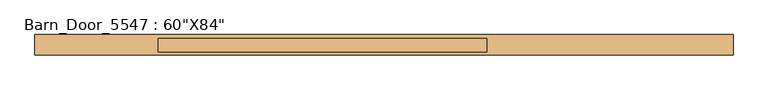
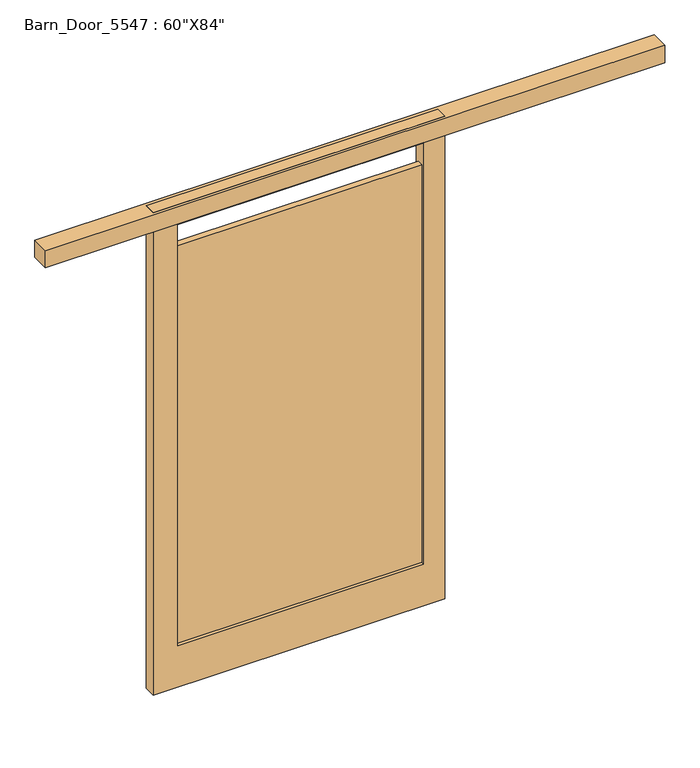
"""IFC4 building model written with IfcOpenShell, lengths in millimetres: door geometry."""

from ifc_helpers import new_model, si_unit, frame, origin, place, context, project, spatial, polyline, outline, extrude, source, transform, mapped, element, save


def door_23a31c73(model_context):
    return source(origin(), model_context, "Body", "SweptSolid", [
        extrude(outline(polyline([(-190.5, 236.5375), (-190.5, 211.1375), (-1218.8074044, 211.1375), (-1218.8074044, 236.5375), (-190.5, 236.5375)])), frame((0.0, 0.0, 184.15), z_axis=(0.0, 0.0, 1.0), x_axis=(1.0, 0.0, 0.0)), (0.0, 0.0, 1.0), 1758.95),
        extrude(outline(polyline([(2133.6, -101.6), (2133.6, -1320.8), (0.0, -1320.8), (0.0, -101.6), (2133.6, -101.6)]), holes=[polyline([(184.15, -1218.8074044), (2044.7, -1218.8074044), (2044.7, -190.5), (184.15, -190.5), (184.15, -1218.8074044)])]), frame((0.0, 198.4375, 0.0), z_axis=(0.0, 1.0, 0.0), x_axis=(0.0, 0.0, 1.0)), (0.0, 0.0, 1.0), 50.8),
        extrude(outline(polyline([(-1778.0, 187.325), (-1778.0, 263.525), (812.8, 263.525), (812.8, 187.325), (-1778.0, 187.325)])), frame((0.0, 0.0, 2057.4), z_axis=(0.0, 0.0, 1.0), x_axis=(1.0, 0.0, 0.0)), (0.0, 0.0, 1.0), 76.2),
    ])


if __name__ == "__main__":
    model = new_model("IFC4")
    model_context = context("Model", 3, world=origin())
    ifc_project = project(units=[si_unit("LENGTHUNIT", "METRE", prefix="MILLI")], contexts=[model_context])
    site = spatial("IfcSite", under=ifc_project)
    building = spatial("IfcBuilding", under=site)
    placement = place(None, origin())
    door_shape = door_23a31c73(model_context)
    element("IfcDoor", 1, ObjectType="Barn_Door_5547 : 60\"X84\"", at=placement, inside=building, context=model_context, shape_type="MappedRepresentation", body=[
        mapped(door_shape, transform((0.0, 0.0, 0.0), x_axis=(1.0, 0.0, 0.0), y_axis=(0.0, 1.0, 0.0), z_axis=(0.0, 0.0, 1.0))),
    ])
    save(model, "model.ifc")
